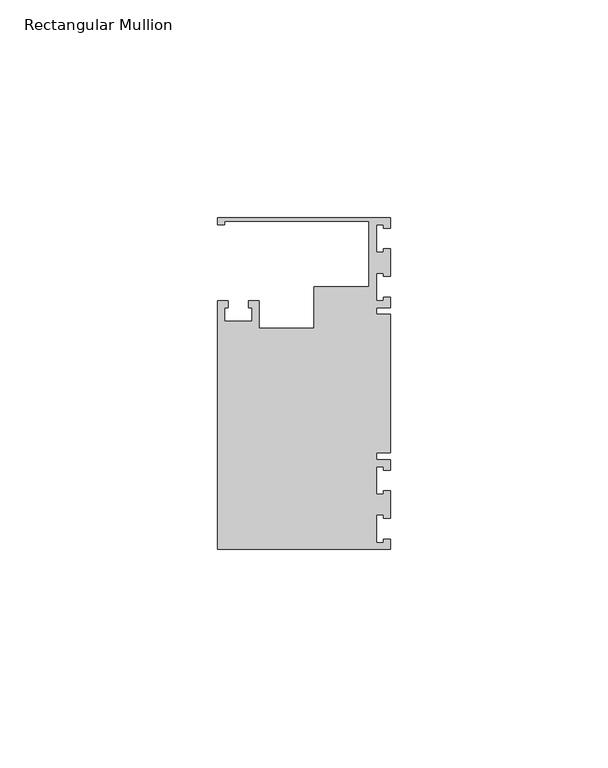
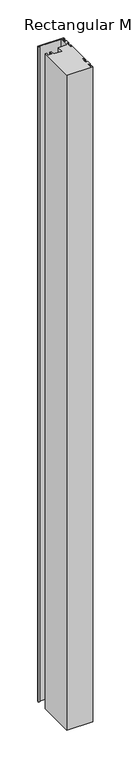
"""IFC4 building model written with IfcOpenShell, lengths in millimetres: member geometry, Rectangular Mullion."""

from ifc_helpers import new_model, si_unit, frame, origin, place, context, project, spatial, polyline, outline, extrude, source, transform, mapped, element, save


def rectangular_mullion_b2532008(model_context):
    return source(origin(), model_context, "Body", "SweptSolid", [
        extrude(outline(polyline([(0.0, 38.1), (0.0, 35.71875), (-1.4999946, 35.71875), (-1.4999946, 36.5125), (-3.175, 36.5125), (-3.175, 30.1625), (-1.4999946, 30.1625), (-1.4999946, 30.95625), (0.0, 30.95625), (0.0, 24.60625), (-1.4999946, 24.60625), (-1.4999946, 25.4), (-3.175, 25.4), (-3.175, 19.05), (-1.4999946, 19.05), (-1.4999946, 19.84375), (0.0, 19.84375), (0.0, 17.4625), (-3.175, 17.4625), (-3.175, 15.875), (0.0, 15.875), (0.0, -15.875), (-3.175, -15.875), (-3.175, -17.4625), (0.0, -17.4625), (0.0, -19.84375), (-1.4999946, -19.84375), (-1.4999946, -19.05), (-3.175, -19.05), (-3.175, -25.4), (-1.4999946, -25.4), (-1.4999946, -24.60625), (0.0, -24.60625), (0.0, -30.95625), (-1.4999946, -30.95625), (-1.4999946, -30.1625), (-3.175, -30.1625), (-3.175, -36.5125), (-1.4999946, -36.5125), (-1.4999946, -35.71875), (0.0, -35.71875), (0.0, -38.1), (-39.6875, -38.1), (-39.6875, 19.05), (-37.30625, 19.05), (-37.30625, 17.4625), (-38.1, 17.4625), (-38.1, 14.2875), (-31.75, 14.2875), (-31.75, 17.4625), (-32.54375, 17.4625), (-32.54375, 19.05), (-30.1625, 19.05), (-30.1625, 12.6999969), (-17.4625, 12.6999969), (-17.4625, 22.225), (-4.8585733, 22.225), (-4.8585733, 37.30625), (-38.1, 37.30625), (-38.1, 36.5125), (-39.6875, 36.5125), (-39.6875, 38.1), (0.0, 38.1)])), frame((0.0, 0.0, -1055.9226245), z_axis=(0.0, 0.0, 1.0), x_axis=(1.0, 0.0, 0.0)), (0.0, 0.0, 1.0), 1055.9226245),
    ])


if __name__ == "__main__":
    model = new_model("IFC4")
    model_context = context("Model", 3, world=origin())
    ifc_project = project(units=[si_unit("LENGTHUNIT", "METRE", prefix="MILLI")], contexts=[model_context])
    site = spatial("IfcSite", under=ifc_project)
    building = spatial("IfcBuilding", under=site)
    placement = place(None, origin())
    rectangular_mullion_shape = rectangular_mullion_b2532008(model_context)
    element("IfcMember", 1, ObjectType="Rectangular Mullion", at=placement, inside=building, context=model_context, shape_type="MappedRepresentation", body=[
        mapped(rectangular_mullion_shape, transform((0.0, 0.0, 0.0), x_axis=(1.0, 0.0, 0.0), y_axis=(0.0, 1.0, 0.0), z_axis=(0.0, 0.0, 1.0))),
    ])
    save(model, "model.ifc")
